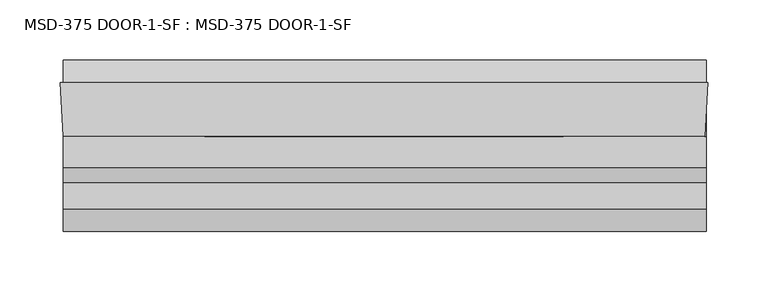
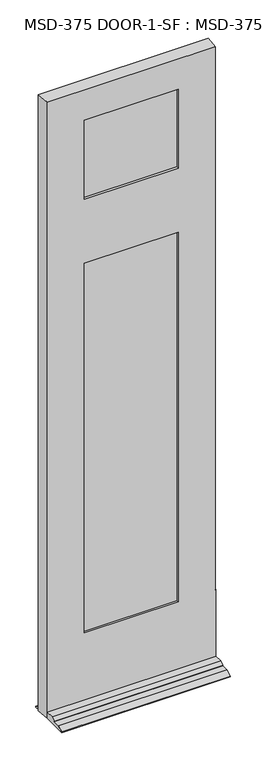
"""IFC4 building model written with IfcOpenShell, lengths in millimetres: plate geometry, MSD-375 DOOR-1-SF : MSD-375 DOOR-1-SF."""

from ifc_helpers import new_model, si_unit, frame, origin, place, context, project, spatial, polyline, outline, extrude, faceted_brep, source, transform, mapped, element, save


def msd_375_door_1_sf_msd_375_door_1_sf_7d9d774d(model_context):
    return source(origin(), model_context, "Body", "SolidModel", [
        faceted_brep([(265.2313901, 1.8752528, 0.0), (266.6353327, 1.8752528, 0.0), (265.2313901, -20.6651106, 0.0), (265.2313901, -121.9497472, 0.0), (-270.2814, -121.9497472, 0.0), (-270.2814, -42.5747472, 0.0), (-273.05, 1.8752528, 0.0), (-270.2814, 1.8752528, 0.0), (-270.2814, 20.9252528, 0.0), (265.2313901, 20.9252528, 0.0), (265.2313901, -35.1325472, 226.2251), (265.2313901, -35.1325472, 246.0625), (265.2313901, -42.5747472, 246.0625), (265.2313901, -42.5747472, 21.4376), (265.2313901, -68.4446472, 21.4376), (265.2313901, -80.8652472, 14.2748), (265.2313901, -80.8652472, 12.7), (265.2313901, -102.8997472, 12.7), (265.2313901, -121.9497472, 3.175), (265.2313901, -20.6651106, 226.2251), (265.2313901, 20.9252528, 3.175), (265.2313901, 1.8752528, 12.7), (-270.2814, 1.8752528, 12.7), (-270.2814, 20.9252528, 3.175), (-270.2814, -121.9497472, 3.175), (-270.2814, -102.8997472, 12.7), (-270.2814, -80.8652472, 12.7), (-270.2814, -80.8652472, 14.2748), (-270.2814, -68.4446472, 21.4376), (-270.2814, -42.5747472, 21.4376), (266.6353327, 1.8752528, 2070.0168046), (-273.05, 1.8752528, 2070.0168046), (-152.4, 1.8752528, 1487.4748), (-152.4, 1.8752528, 246.0625), (145.9853327, 1.8752528, 246.0625), (145.9853327, 1.8752528, 1487.4748), (145.9853327, 1.8752528, 1968.4168046), (-152.4, 1.8752528, 1968.4168046), (-152.4, 1.8752528, 1703.3748), (145.9853327, 1.8752528, 1703.3748), (145.9853327, -9.7325472, 1968.4168046), (-152.4, -9.7325472, 1968.4168046), (165.8227327, -9.7325472, 1507.3249), (-172.2374, -9.7325472, 1507.3249), (-172.2374, -9.7325472, 226.2251), (165.8227327, -9.7325472, 226.2251), (-152.4, -9.7325472, 1487.4748), (145.9853327, -9.7325472, 1487.4748), (145.9853327, -9.7325472, 246.0625), (-152.4, -9.7325472, 246.0625), (165.8227327, -9.7325472, 1988.3374), (-172.2374, -9.7325472, 1988.3374), (-172.2374, -9.7325472, 1683.5374), (165.8227327, -9.7325472, 1683.5374), (145.9853327, -9.7325472, 1703.3748), (-152.4, -9.7325472, 1703.3748), (165.8227327, -35.1325472, 1988.3374), (-172.2374, -35.1325472, 1988.3374), (264.3302755, -35.1325472, 226.2251), (264.3302755, -35.1325472, 246.0625), (-172.2374, -35.1325472, 1507.3249), (165.8227327, -35.1325472, 1507.3249), (165.8227327, -35.1325472, 226.2251), (-172.2374, -35.1325472, 226.2251), (145.9853327, -35.1325472, 1487.4748), (-152.4, -35.1325472, 1487.4748), (-152.4, -35.1325472, 246.0625), (145.9853327, -35.1325472, 246.0625), (165.8227327, -35.1325472, 1683.5374), (-172.2374, -35.1325472, 1683.5374), (145.9853327, -35.1325472, 1968.4168046), (-152.4, -35.1325472, 1968.4168046), (-152.4, -35.1325472, 1703.3748), (145.9853327, -35.1325472, 1703.3748), (145.9853327, -42.5747472, 1968.4168046), (-152.4, -42.5747472, 1968.4168046), (263.8667327, -42.5747472, 2070.0168046), (-270.2814, -42.5747472, 2070.0168046), (263.8667327, -42.5747472, 246.0625), (145.9853327, -42.5747472, 1487.4748), (145.9853327, -42.5747472, 246.0625), (-152.4, -42.5747472, 246.0625), (-152.4, -42.5747472, 1487.4748), (145.9853327, -42.5747472, 1703.3748), (-152.4, -42.5747472, 1703.3748)], [[[0, 1, 2, 3, 4, 5, 6, 7, 8, 9]], [[10, 11, 12, 13, 14, 15, 16, 17, 18, 3, 2, 19]], [[9, 20, 21, 0]], [[22, 23, 8, 7]], [[4, 24, 25, 26, 27, 28, 29, 5]], [[30, 1, 0, 21, 22, 7, 6, 31], [32, 33, 34, 35], [36, 37, 38, 39]], [[36, 40, 41, 37]], [[42, 43, 44, 45], [46, 47, 48, 49]], [[50, 51, 52, 53], [41, 40, 54, 55]], [[50, 56, 57, 51]], [[11, 10, 58, 59]], [[60, 61, 62, 63], [64, 65, 66, 67]], [[57, 56, 68, 69], [70, 71, 72, 73]], [[70, 74, 75, 71]], [[76, 77, 29, 13, 12, 78], [79, 80, 81, 82], [75, 74, 83, 84]], [[76, 30, 31, 77]], [[56, 50, 53, 68]], [[62, 61, 42, 45]], [[74, 70, 73, 83]], [[79, 64, 67, 80]], [[30, 76, 78, 59, 58, 19, 2, 1]], [[40, 36, 39, 54]], [[47, 35, 34, 48]], [[29, 77, 31, 6, 5]], [[71, 75, 84, 72]], [[65, 82, 81, 66]], [[44, 43, 60, 63]], [[51, 57, 69, 52]], [[37, 41, 55, 38]], [[32, 46, 49, 33]], [[39, 38, 55, 54]], [[68, 53, 52, 69]], [[73, 72, 84, 83]], [[65, 64, 79, 82]], [[42, 61, 60, 43]], [[32, 35, 47, 46]], [[10, 19, 58]], [[63, 62, 45, 44]], [[12, 11, 59, 78]], [[67, 66, 81, 80]], [[14, 13, 29, 28]], [[15, 14, 28, 27]], [[16, 15, 27, 26]], [[17, 16, 26, 25]], [[18, 17, 25, 24]], [[3, 18, 24, 4]], [[20, 9, 8, 23]], [[22, 21, 20, 23]], [[34, 33, 49, 48]]]),
        extrude(outline(polyline([(-172.2374, -9.7325472), (165.8227327, -9.7325472), (165.8227327, -14.8125472), (-172.2374, -14.8125472), (-172.2374, -9.7325472)])), frame((0.0, 0.0, 226.21875), z_axis=(0.0, 0.0, 1.0), x_axis=(1.0, 0.0, 0.0)), (0.0, 0.0, 1.0), 1281.10615),
        extrude(outline(polyline([(165.8227327, -24.2105472), (165.8227327, -29.2905472), (-172.2374, -29.2905472), (-172.2374, -24.2105472), (165.8227327, -24.2105472)])), frame((0.0, 0.0, 226.21875), z_axis=(0.0, 0.0, 1.0), x_axis=(1.0, 0.0, 0.0)), (0.0, 0.0, 1.0), 1281.10615),
        extrude(outline(polyline([(-172.2374, -30.0525472), (165.8227327, -30.0525472), (165.8227327, -35.1325472), (-172.2374, -35.1325472), (-172.2374, -30.0525472)])), frame((0.0, 0.0, 226.21875), z_axis=(0.0, 0.0, 1.0), x_axis=(1.0, 0.0, 0.0)), (0.0, 0.0, 1.0), 1281.10615),
        extrude(outline(polyline([(-170.3412802, -9.7325472), (165.2088756, -9.7325472), (165.2088756, -14.8125472), (-170.3412802, -14.8125472), (-170.3412802, -9.7325472)])), frame((0.0, 0.0, 1683.5374), z_axis=(0.0, 0.0, 1.0), x_axis=(1.0, 0.0, 0.0)), (0.0, 0.0, 1.0), 304.8),
        extrude(outline(polyline([(165.2088756, -24.2105472), (165.2088756, -29.2905472), (-170.3412802, -29.2905472), (-170.3412802, -24.2105472), (165.2088756, -24.2105472)])), frame((0.0, 0.0, 1683.5374), z_axis=(0.0, 0.0, 1.0), x_axis=(1.0, 0.0, 0.0)), (0.0, 0.0, 1.0), 304.8),
        extrude(outline(polyline([(-170.3412802, -30.0525472), (165.2088756, -30.0525472), (165.2088756, -35.1325472), (-170.3412802, -35.1325472), (-170.3412802, -30.0525472)])), frame((0.0, 0.0, 1683.5374), z_axis=(0.0, 0.0, 1.0), x_axis=(1.0, 0.0, 0.0)), (0.0, 0.0, 1.0), 304.8),
    ])


if __name__ == "__main__":
    model = new_model("IFC4")
    model_context = context("Model", 3, world=origin())
    ifc_project = project(units=[si_unit("LENGTHUNIT", "METRE", prefix="MILLI")], contexts=[model_context])
    site = spatial("IfcSite", under=ifc_project)
    building = spatial("IfcBuilding", under=site)
    placement = place(None, origin())
    msd_375_door_1_sf_msd_375_door_1_sf_shape = msd_375_door_1_sf_msd_375_door_1_sf_7d9d774d(model_context)
    element("IfcPlate", 1, ObjectType="MSD-375 DOOR-1-SF : MSD-375 DOOR-1-SF", at=placement, inside=building, context=model_context, shape_type="MappedRepresentation", body=[
        mapped(msd_375_door_1_sf_msd_375_door_1_sf_shape, transform((0.0, 0.0, 0.0), x_axis=(1.0, 0.0, 0.0), y_axis=(0.0, 1.0, 0.0), z_axis=(0.0, 0.0, 1.0))),
    ])
    save(model, "model.ifc")
